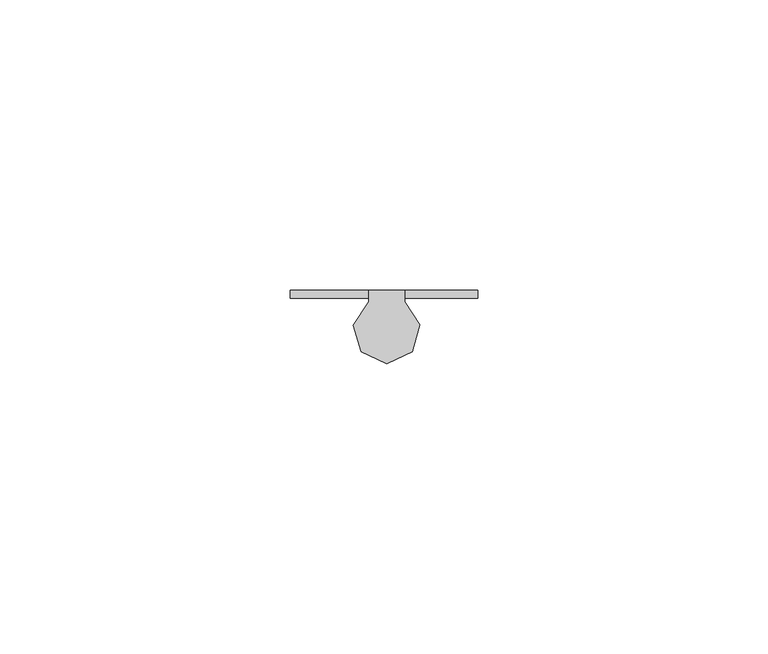
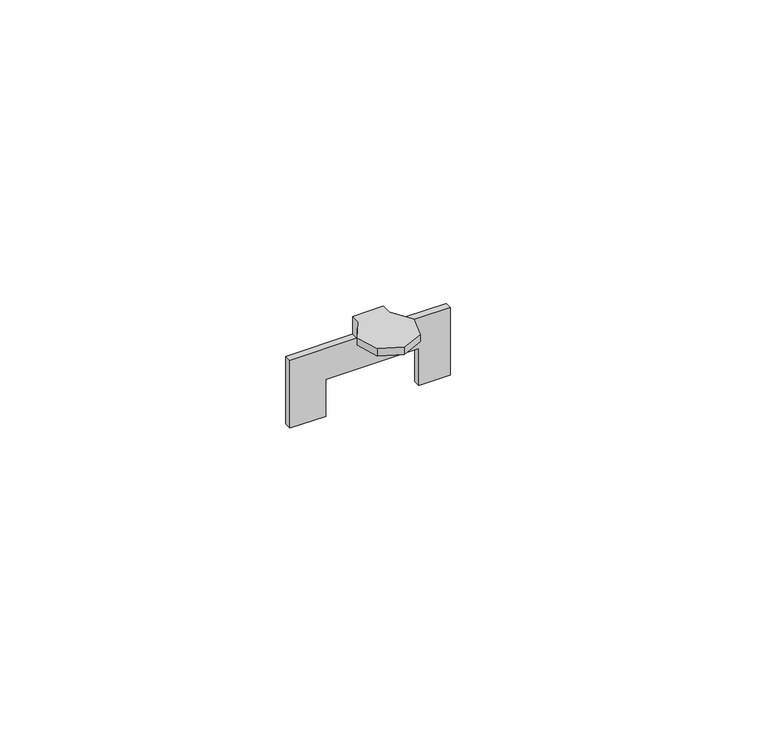
"""IFC4 building model written with IfcOpenShell, lengths in millimetres: furniture geometry."""

from ifc_helpers import new_model, si_unit, origin, place, context, project, spatial, faceted_brep, source, transform, mapped, element, save


def furniture_d6e6a335(model_context):
    return source(origin(), model_context, "Body", "Brep", [
        faceted_brep([(-3.1242001, 13.3604002, 1030.2240349), (-3.1242001, 11.3532042, 1030.2240349), (-5.7322065, 7.3015052, 1030.2240349), (-4.3718724, 2.6790099, 1030.2240349), (0.0150581, 0.6858196, 1030.2240349), (4.391564, 2.7017964, 1030.2240349), (5.7278412, 7.3313027, 1030.2240349), (3.0987999, 11.3693857, 1030.2240349), (3.0987999, 13.3604002, 1030.2240349), (3.0987999, 11.3693857, 1028.7), (5.7278412, 7.3313027, 1028.7), (4.391564, 2.7017964, 1028.7), (0.0150581, 0.6858196, 1028.7), (-4.3718724, 2.6790099, 1028.7), (-5.7322065, 7.3015052, 1028.7), (-3.1242001, 11.3532042, 1028.7), (-3.1242001, 11.938, 1028.7), (3.0987999, 11.938, 1028.7), (3.0987999, 11.938, 1026.4140407), (3.0987999, 13.3604002, 1026.4140407), (15.7479997, 13.3604002, 1026.4140407), (15.7479997, 13.3604002, 1011.936), (9.3980001, 13.3604002, 1011.936), (9.3980001, 13.3604002, 1019.8100107), (-9.3980001, 13.3604002, 1019.8100107), (-9.3980001, 13.3604002, 1011.936), (-16.6624005, 13.3604002, 1011.936), (-16.6624005, 13.3604002, 1026.4140407), (-3.1242001, 13.3604002, 1026.4140407), (-3.1242001, 11.938, 1026.4140407), (-9.3980001, 11.938, 1011.936), (-9.3980001, 11.938, 1019.8100107), (9.3980001, 11.938, 1019.8100107), (9.3980001, 11.938, 1011.936), (15.7479997, 11.938, 1011.936), (15.7479997, 11.938, 1026.4140407), (-16.6624005, 11.938, 1026.4140407), (-16.6624005, 11.938, 1011.936)], [[[0, 1, 2, 3, 4, 5, 6, 7, 8]], [[9, 10, 11, 12, 13, 14, 15, 16, 17]], [[2, 1, 15, 14]], [[3, 2, 14, 13]], [[4, 3, 13, 12]], [[5, 4, 12, 11]], [[6, 5, 11, 10]], [[7, 6, 10, 9]], [[7, 9, 17, 18, 19, 8]], [[0, 8, 19, 20, 21, 22, 23, 24, 25, 26, 27, 28]], [[15, 1, 0, 28, 29, 16]], [[30, 31, 32, 33, 34, 35, 18, 17, 16, 29, 36, 37]], [[31, 30, 25, 24]], [[32, 31, 24, 23]], [[33, 32, 23, 22]], [[34, 33, 22, 21]], [[35, 34, 21, 20]], [[18, 35, 20, 19]], [[36, 29, 28, 27]], [[37, 36, 27, 26]], [[30, 37, 26, 25]]]),
    ])


if __name__ == "__main__":
    model = new_model("IFC4")
    model_context = context("Model", 3, world=origin())
    ifc_project = project(units=[si_unit("LENGTHUNIT", "METRE", prefix="MILLI")], contexts=[model_context])
    site = spatial("IfcSite", under=ifc_project)
    building = spatial("IfcBuilding", under=site)
    placement = place(None, origin())
    furniture_shape = furniture_d6e6a335(model_context)
    element("IfcFurniture", 1, at=placement, inside=building, context=model_context, shape_type="MappedRepresentation", body=[
        mapped(furniture_shape, transform((0.0, 0.0, 0.0), x_axis=(1.0, 0.0, 0.0), y_axis=(0.0, 1.0, 0.0), z_axis=(0.0, 0.0, 1.0))),
    ])
    save(model, "model.ifc")
